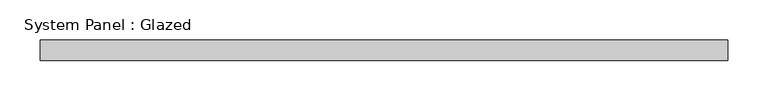
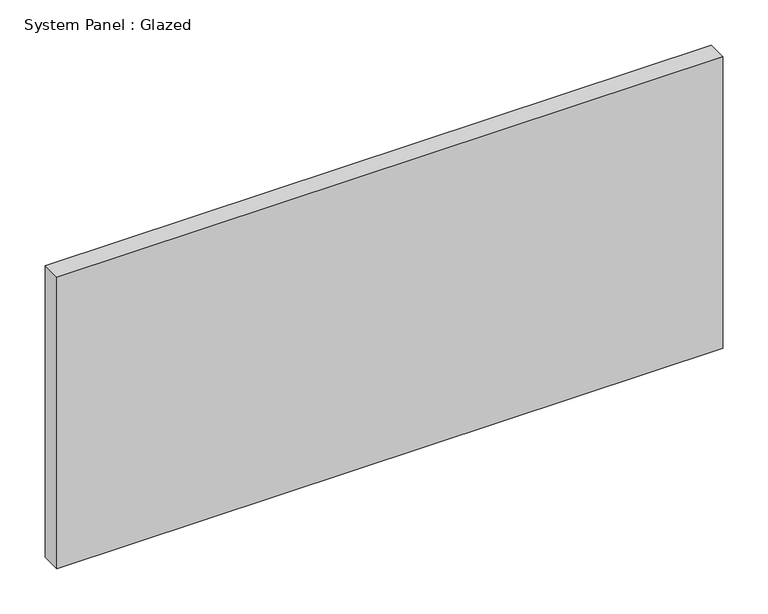
"""IFC4 building model written with IfcOpenShell, lengths in millimetres: plate geometry, System Panel : Glazed."""

from ifc_helpers import new_model, si_unit, origin, origin_with_axes, place, context, project, spatial, polyline, outline, extrude, source, transform, mapped, element, save


def system_panel_glazed_09175372(model_context):
    return source(origin(), model_context, "Body", "SweptSolid", [
        extrude(outline(polyline([(425.45, 19.05), (-425.45, 19.05), (-425.45, 44.45), (425.45, 44.45), (425.45, 19.05)])), origin_with_axes(), (0.0, 0.0, 1.0), 393.7),
    ])


if __name__ == "__main__":
    model = new_model("IFC4")
    model_context = context("Model", 3, world=origin())
    ifc_project = project(units=[si_unit("LENGTHUNIT", "METRE", prefix="MILLI")], contexts=[model_context])
    site = spatial("IfcSite", under=ifc_project)
    building = spatial("IfcBuilding", under=site)
    placement = place(None, origin())
    system_panel_glazed_shape = system_panel_glazed_09175372(model_context)
    element("IfcPlate", 1, ObjectType="System Panel : Glazed", at=placement, inside=building, context=model_context, shape_type="MappedRepresentation", body=[
        mapped(system_panel_glazed_shape, transform((0.0, 0.0, 0.0), x_axis=(1.0, 0.0, 0.0), y_axis=(0.0, 1.0, 0.0), z_axis=(0.0, 0.0, 1.0))),
    ])
    save(model, "model.ifc")
